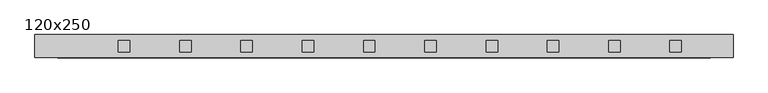
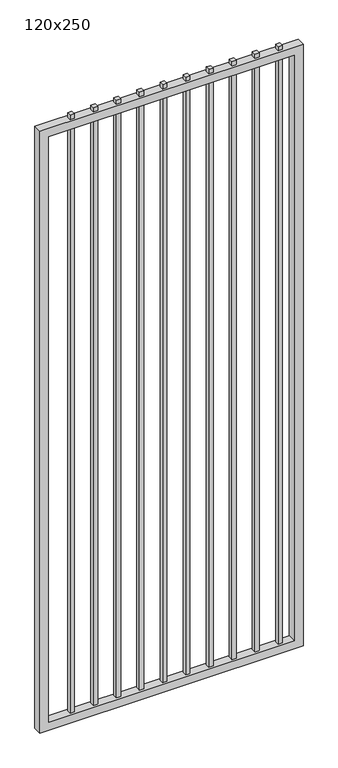
"""IFC4 building model written with IfcOpenShell, lengths in millimetres: proxy geometry, 120x250."""

from ifc_helpers import new_model, si_unit, frame, origin, place, context, project, spatial, polyline, outline, extrude, source, transform, mapped, element, save


def proxy_120x250_aad7ad8e(model_context):
    return source(origin(), model_context, "Body", "SweptSolid", [
        extrude(outline(polyline([(1101.725, -9.525), (1082.675, -9.525), (1082.675, 9.525), (1101.725, 9.525), (1101.725, -9.525)])), frame((0.0, 0.0, 139.7), z_axis=(0.0, 0.0, 1.0), x_axis=(1.0, 0.0, 0.0)), (0.0, 0.0, 1.0), 2780.0),
        extrude(outline(polyline([(1000.125, -9.525), (981.075, -9.525), (981.075, 9.525), (1000.125, 9.525), (1000.125, -9.525)])), frame((0.0, 0.0, 139.7), z_axis=(0.0, 0.0, 1.0), x_axis=(1.0, 0.0, 0.0)), (0.0, 0.0, 1.0), 2780.0),
        extrude(outline(polyline([(898.525, -9.525), (879.475, -9.525), (879.475, 9.525), (898.525, 9.525), (898.525, -9.525)])), frame((0.0, 0.0, 139.7), z_axis=(0.0, 0.0, 1.0), x_axis=(1.0, 0.0, 0.0)), (0.0, 0.0, 1.0), 2780.0),
        extrude(outline(polyline([(796.925, -9.525), (777.875, -9.525), (777.875, 9.525), (796.925, 9.525), (796.925, -9.525)])), frame((0.0, 0.0, 139.7), z_axis=(0.0, 0.0, 1.0), x_axis=(1.0, 0.0, 0.0)), (0.0, 0.0, 1.0), 2780.0),
        extrude(outline(polyline([(695.325, -9.525), (676.275, -9.525), (676.275, 9.525), (695.325, 9.525), (695.325, -9.525)])), frame((0.0, 0.0, 139.7), z_axis=(0.0, 0.0, 1.0), x_axis=(1.0, 0.0, 0.0)), (0.0, 0.0, 1.0), 2780.0),
        extrude(outline(polyline([(593.725, -9.525), (574.675, -9.525), (574.675, 9.525), (593.725, 9.525), (593.725, -9.525)])), frame((0.0, 0.0, 139.7), z_axis=(0.0, 0.0, 1.0), x_axis=(1.0, 0.0, 0.0)), (0.0, 0.0, 1.0), 2780.0),
        extrude(outline(polyline([(492.125, -9.525), (473.075, -9.525), (473.075, 9.525), (492.125, 9.525), (492.125, -9.525)])), frame((0.0, 0.0, 139.7), z_axis=(0.0, 0.0, 1.0), x_axis=(1.0, 0.0, 0.0)), (0.0, 0.0, 1.0), 2780.0),
        extrude(outline(polyline([(390.525, -9.525), (371.475, -9.525), (371.475, 9.525), (390.525, 9.525), (390.525, -9.525)])), frame((0.0, 0.0, 139.7), z_axis=(0.0, 0.0, 1.0), x_axis=(1.0, 0.0, 0.0)), (0.0, 0.0, 1.0), 2780.0),
        extrude(outline(polyline([(288.925, -9.525), (269.875, -9.525), (269.875, 9.525), (288.925, 9.525), (288.925, -9.525)])), frame((0.0, 0.0, 139.7), z_axis=(0.0, 0.0, 1.0), x_axis=(1.0, 0.0, 0.0)), (0.0, 0.0, 1.0), 2780.0),
        extrude(outline(polyline([(187.325, -9.525), (168.275, -9.525), (168.275, 9.525), (187.325, 9.525), (187.325, -9.525)])), frame((0.0, 0.0, 139.7), z_axis=(0.0, 0.0, 1.0), x_axis=(1.0, 0.0, 0.0)), (0.0, 0.0, 1.0), 2780.0),
        extrude(outline(polyline([(2900.0, 1187.3), (2900.0, 30.0), (101.6, 30.0), (101.6, 1187.3), (2900.0, 1187.3)]), holes=[polyline([(139.7, 1149.2), (139.7, 68.1), (2861.9, 68.1), (2861.9, 1149.2), (139.7, 1149.2)])]), frame((0.0, -19.05, 0.0), z_axis=(0.0, 1.0, 0.0), x_axis=(0.0, 0.0, 1.0)), (0.0, 0.0, 1.0), 38.1),
    ])


if __name__ == "__main__":
    model = new_model("IFC4")
    model_context = context("Model", 3, world=origin())
    ifc_project = project(units=[si_unit("LENGTHUNIT", "METRE", prefix="MILLI")], contexts=[model_context])
    site = spatial("IfcSite", under=ifc_project)
    building = spatial("IfcBuilding", under=site)
    placement = place(None, origin())
    proxy_120x250_shape = proxy_120x250_aad7ad8e(model_context)
    element("IfcBuildingElementProxy", 1, Name="120x250", ObjectType="120x250", at=placement, inside=building, context=model_context, shape_type="MappedRepresentation", body=[
        mapped(proxy_120x250_shape, transform((0.0, 0.0, 0.0), x_axis=(1.0, 0.0, 0.0), y_axis=(0.0, 1.0, 0.0), z_axis=(0.0, 0.0, 1.0))),
    ])
    save(model, "model.ifc")
